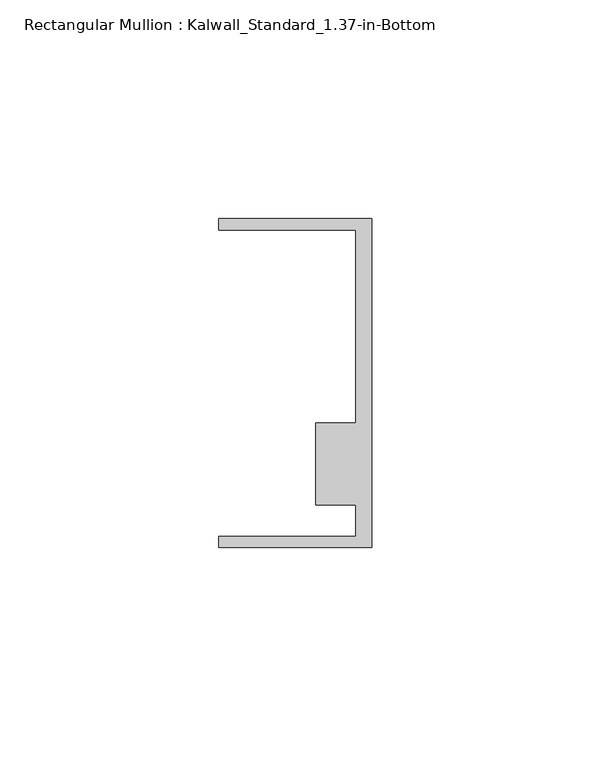
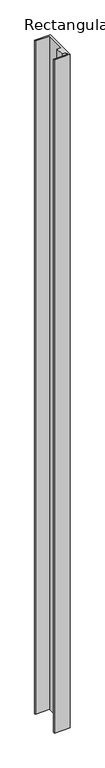
"""IFC4 building model written with IfcOpenShell, lengths in millimetres: member geometry, Rectangular Mullion : Kalwall_Standard_1.37-in-Bottom."""

from ifc_helpers import new_model, si_unit, frame, origin, place, context, project, spatial, polyline, outline, extrude, source, transform, mapped, element, save


def rectangular_mullion_kalwall_standard_1_37_in_bottom_f4bf5097(model_context):
    return source(origin(), model_context, "Body", "SweptSolid", [
        extrude(outline(polyline([(0.0, -37.5776386), (-34.925, -37.5776386), (-34.925, -35.0376386), (-3.7084, -35.0376386), (-3.7084, -27.8888568), (-12.8272539, -27.8888568), (-12.8272539, -9.1879886), (-3.7084, -9.1879886), (-3.7084, 34.9623614), (-34.925, 34.9623614), (-34.925, 37.5023614), (0.0, 37.5023614), (0.0, -37.5776386)])), frame((0.0, 0.0, -1567.0310003), z_axis=(0.0, 0.0, 1.0), x_axis=(1.0, 0.0, 0.0)), (0.0, 0.0, 1.0), 1567.0310003),
    ])


if __name__ == "__main__":
    model = new_model("IFC4")
    model_context = context("Model", 3, world=origin())
    ifc_project = project(units=[si_unit("LENGTHUNIT", "METRE", prefix="MILLI")], contexts=[model_context])
    site = spatial("IfcSite", under=ifc_project)
    building = spatial("IfcBuilding", under=site)
    placement = place(None, origin())
    rectangular_mullion_kalwall_standard_1_37_in_bottom_shape = rectangular_mullion_kalwall_standard_1_37_in_bottom_f4bf5097(model_context)
    element("IfcMember", 1, ObjectType="Rectangular Mullion : Kalwall_Standard_1.37-in-Bottom", at=placement, inside=building, context=model_context, shape_type="MappedRepresentation", body=[
        mapped(rectangular_mullion_kalwall_standard_1_37_in_bottom_shape, transform((0.0, 0.0, 0.0), x_axis=(1.0, 0.0, 0.0), y_axis=(0.0, 1.0, 0.0), z_axis=(0.0, 0.0, 1.0))),
    ])
    save(model, "model.ifc")
